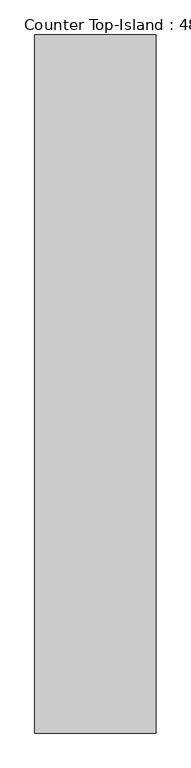
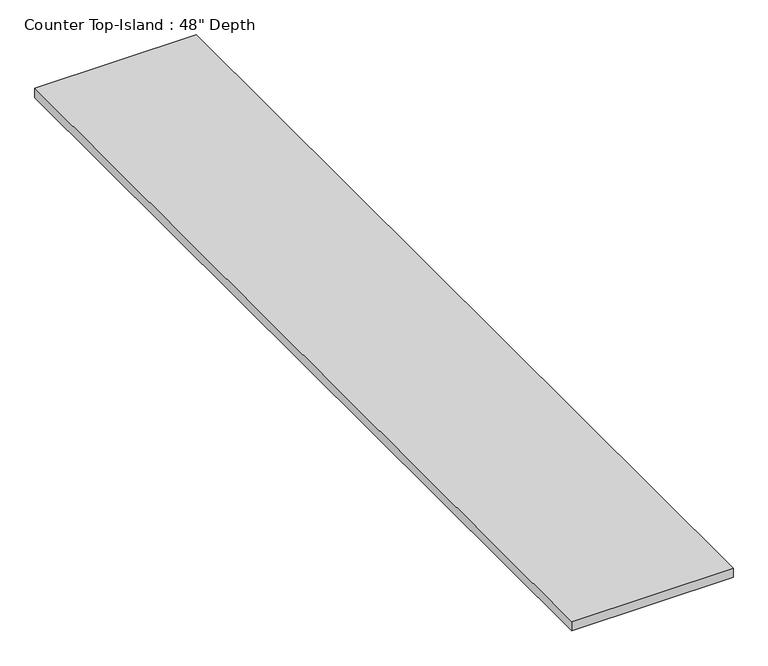
"""IFC4 building model written with IfcOpenShell, lengths in millimetres: furniture geometry."""

import ifcopenshell
import ifcopenshell.guid

model = None  # the IFC model being written
_history = None  # IfcOwnerHistory: only IFC2X3 demands one
_inside = {}  # id of a spatial element -> (the spatial element, [elements in it])
_under = {}  # id of a project, library or spatial element -> (it, [spatial elements below it])
_declared = {}  # id of a project -> (the project, [libraries it declares])
_typed = {}  # id of a type object -> (the type object, [elements of that type])
_made_of = {}  # id of a material, layer set ... -> (it, [elements and type objects made of it])


def new_model(schema):
    """Start an empty IFC model of exactly this schema.

    Asked for "IFC4X3", IfcOpenShell would pick the latest addendum, in which some entities
    have other attributes; the version numbers below select the first issue.
    IFC2X3 requires an IfcOwnerHistory on every rooted entity: one is made here for all.
    """
    global model, _history
    if schema == "IFC4X3":
        model = ifcopenshell.file(schema_version=(4, 3, 0, 0))
    else:
        model = ifcopenshell.file(schema=schema)
    _inside.clear()
    _under.clear()
    _declared.clear()
    _typed.clear()
    _made_of.clear()
    _history = None
    if model.schema == "IFC2X3":
        org = make("IfcOrganization", Name="unknown")
        user = make(
            "IfcPersonAndOrganization",
            ThePerson=make("IfcPerson", FamilyName="unknown"),
            TheOrganization=org,
        )
        app = make(
            "IfcApplication",
            ApplicationDeveloper=org,
            Version="unknown",
            ApplicationFullName="unknown",
            ApplicationIdentifier="unknown",
        )
        _history = make(
            "IfcOwnerHistory",
            OwningUser=user,
            OwningApplication=app,
            ChangeAction="ADDED",
            CreationDate=0,
        )
    return model


def make(cls, **values):
    """One entity of the class cls with the attributes given. An attribute that is None is left unset."""
    return model.create_entity(
        cls, **{name: value for name, value in values.items() if value is not None}
    )


def rooted(cls, **values):
    """An entity with a GlobalId (a new one), such as an element, a storey or a relation."""
    return make(cls, GlobalId=ifcopenshell.guid.new(), OwnerHistory=_history, **values)


def si_unit(unit_type, name, prefix=None):
    """IfcSIUnit, for example si_unit("LENGTHUNIT", "METRE", prefix="MILLI")."""
    return make("IfcSIUnit", UnitType=unit_type, Prefix=prefix, Name=name)


def assignment(units):
    """IfcUnitAssignment: the units of a project."""
    return None if units is None else make("IfcUnitAssignment", Units=units)


def point(xyz):
    """IfcCartesianPoint."""
    return None if xyz is None else make("IfcCartesianPoint", Coordinates=xyz)


def direction(xyz):
    """IfcDirection."""
    return None if xyz is None else make("IfcDirection", DirectionRatios=xyz)


def frame(location, z_axis=None, x_axis=None):
    """IfcAxis2Placement3D, a coordinate frame: its origin and axes. An axis left out is left unset."""
    return make(
        "IfcAxis2Placement3D",
        Location=point(location),
        Axis=direction(z_axis),
        RefDirection=direction(x_axis),
    )


def origin():
    """The frame at (0, 0, 0) with its axes left unset."""
    return frame((0.0, 0.0, 0.0))


def place(relative_to, where):
    """IfcLocalPlacement: puts the frame where relative to a parent placement (None: the world)."""
    return make(
        "IfcLocalPlacement", PlacementRelTo=relative_to, RelativePlacement=where
    )


def context(
    kind, dimensions, precision=None, world=None, true_north=None, identifier=None
):
    """IfcGeometricRepresentationContext, for example the 3D "Model" context."""
    return make(
        "IfcGeometricRepresentationContext",
        ContextIdentifier=identifier,
        ContextType=kind,
        CoordinateSpaceDimension=dimensions,
        Precision=precision,
        WorldCoordinateSystem=world,
        TrueNorth=true_north,
    )


def project(units=None, contexts=None):
    """IfcProject with its units and contexts."""
    return rooted(
        "IfcProject",
        Name="project",
        RepresentationContexts=contexts,
        UnitsInContext=assignment(units),
    )


def spatial(cls, under=None, at=None, **own):
    """A site, building, storey or space (cls), placed at a placement, below another one or the project."""
    s = rooted(cls, ObjectPlacement=at, **own)
    if under is not None:
        _under.setdefault(under.id(), (under, []))[1].append(s)
    return s


def polyline(points):
    """IfcPolyline through the points."""
    return make("IfcPolyline", Points=[point(p) for p in points])


def outline(outer, holes=None, kind="AREA"):
    """IfcArbitraryClosedProfileDef: a profile drawn as a closed curve; with holes, ...WithVoids."""
    if holes is None:
        return make("IfcArbitraryClosedProfileDef", ProfileType=kind, OuterCurve=outer)
    return make(
        "IfcArbitraryProfileDefWithVoids",
        ProfileType=kind,
        OuterCurve=outer,
        InnerCurves=holes,
    )


def extrude(swept, where, along, depth):
    """IfcExtrudedAreaSolid: the profile swept, set in the frame where, extruded along a direction by depth."""
    return make(
        "IfcExtrudedAreaSolid",
        SweptArea=swept,
        Position=where,
        ExtrudedDirection=direction(along),
        Depth=depth,
    )


def shape(context_of_items, identifier, shape_type, items):
    """IfcShapeRepresentation: the items that make up one representation, for example the "Body"."""
    return make(
        "IfcShapeRepresentation",
        ContextOfItems=context_of_items,
        RepresentationIdentifier=identifier,
        RepresentationType=shape_type,
        Items=items,
    )


def source(mapping_origin, context_of_items, identifier, shape_type, items):
    """IfcRepresentationMap: a shape defined once, which mapped items show again and again."""
    return make(
        "IfcRepresentationMap",
        MappingOrigin=mapping_origin,
        MappedRepresentation=shape(context_of_items, identifier, shape_type, items),
    )


def transform(
    local_origin,
    x_axis=None,
    y_axis=None,
    z_axis=None,
    scale=None,
    scale2=None,
    scale3=None,
    uniform=True,
):
    """IfcCartesianTransformationOperator3D, or its non-uniform kind. x_axis, y_axis, z_axis: its Axis1, 2, 3."""
    if uniform:
        return make(
            "IfcCartesianTransformationOperator3D",
            Axis1=direction(x_axis),
            Axis2=direction(y_axis),
            LocalOrigin=point(local_origin),
            Scale=scale,
            Axis3=direction(z_axis),
        )
    return make(
        "IfcCartesianTransformationOperator3DnonUniform",
        Axis1=direction(x_axis),
        Axis2=direction(y_axis),
        LocalOrigin=point(local_origin),
        Scale=scale,
        Axis3=direction(z_axis),
        Scale2=scale2,
        Scale3=scale3,
    )


def mapped(mapping_source, mapping_target):
    """IfcMappedItem: shows the shape of a source again, moved by a transform."""
    return make(
        "IfcMappedItem", MappingSource=mapping_source, MappingTarget=mapping_target
    )


def made_of(thing, what):
    """Note that an element or type object is made of a material, layer set ...; save() writes the relation."""
    if what is not None:
        _made_of.setdefault(what.id(), (what, []))[1].append(thing)
    return thing


def element(
    cls,
    number,
    at=None,
    inside=None,
    cuts=None,
    type_object=None,
    material=None,
    context=None,
    identifier="Body",
    shape_type=None,
    held_by="IfcProductDefinitionShape",
    body=None,
    shapes=None,
    **own,
):
    """One element of the class cls, such as IfcWall. Its Tag is "e" and its number.

    at: its placement. inside: the storey or other place that contains it. cuts: it is an
    opening in that element (IfcRelVoidsElement). A single representation is given by context,
    identifier, shape_type and body (its items); several are given by shapes. held_by: the class
    of the entity that holds the representations. save() writes the other relations.
    """
    e = rooted(cls, Tag="e%d" % number, ObjectPlacement=at, **own)
    if body is not None:
        shapes = [shape(context, identifier, shape_type, body)]
    if shapes is not None:
        e.Representation = make(held_by, Representations=shapes)
    if inside is not None:
        _inside.setdefault(inside.id(), (inside, []))[1].append(e)
    if cuts is not None:
        rooted(
            "IfcRelVoidsElement", RelatingBuildingElement=cuts, RelatedOpeningElement=e
        )
    if type_object is not None:
        _typed.setdefault(type_object.id(), (type_object, []))[1].append(e)
    return made_of(e, material)


def aggregate(whole, parts):
    """IfcRelAggregates: a whole, such as a stair, and the parts it consists of."""
    return rooted("IfcRelAggregates", RelatingObject=whole, RelatedObjects=parts)


def save(model, path):
    """Write the relations noted so far, then the file.

    IfcRelAggregates (storeys below a building ...), IfcRelContainedInSpatialStructure (elements
    in a storey), IfcRelDefinesByType, IfcRelAssociatesMaterial and IfcRelDeclares: one each for
    every whole, place, type object, material and project.
    """
    for whole, parts in _under.values():
        aggregate(whole, parts)
    for where, things in _inside.values():
        rooted(
            "IfcRelContainedInSpatialStructure",
            RelatedElements=things,
            RelatingStructure=where,
        )
    for kind, things in _typed.values():
        rooted("IfcRelDefinesByType", RelatedObjects=things, RelatingType=kind)
    for what, things in _made_of.values():
        rooted("IfcRelAssociatesMaterial", RelatedObjects=things, RelatingMaterial=what)
    for by, libraries in _declared.values():
        rooted("IfcRelDeclares", RelatingContext=by, RelatedDefinitions=libraries)
    model.write(path)


def furniture_83d46c33(model_context):
    return source(origin(), model_context, "Body", "SweptSolid", [
        extrude(outline(polyline([(-565.4622951, 25.4), (-565.4622951, -3632.2), (-1200.4622951, -3632.2), (-1200.4622951, 25.4), (-565.4622951, 25.4)])), frame((0.0, 0.0, 876.3), z_axis=(0.0, 0.0, 1.0), x_axis=(1.0, 0.0, 0.0)), (0.0, 0.0, 1.0), 38.1),
    ])


if __name__ == "__main__":
    model = new_model("IFC4")
    model_context = context("Model", 3, world=origin())
    ifc_project = project(units=[si_unit("LENGTHUNIT", "METRE", prefix="MILLI")], contexts=[model_context])
    site = spatial("IfcSite", under=ifc_project)
    building = spatial("IfcBuilding", under=site)
    placement = place(None, origin())
    furniture_shape = furniture_83d46c33(model_context)
    element("IfcFurniture", 1, ObjectType="Counter Top-Island : 48\" Depth", at=placement, inside=building, context=model_context, shape_type="MappedRepresentation", body=[
        mapped(furniture_shape, transform((0.0, 0.0, 0.0), x_axis=(1.0, 0.0, 0.0), y_axis=(0.0, 1.0, 0.0), z_axis=(0.0, 0.0, 1.0))),
    ])
    save(model, "model.ifc")
